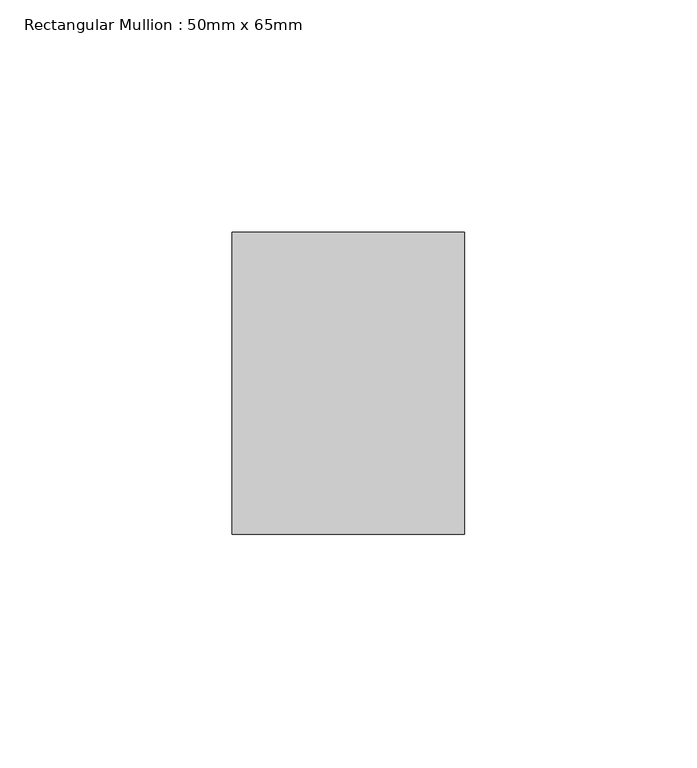
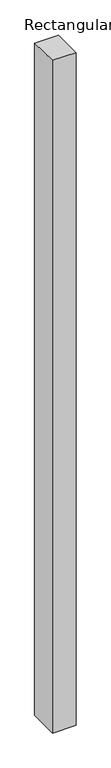
"""IFC4 building model written with IfcOpenShell, lengths in millimetres: member geometry, Rectangular Mullion : 50mm x 65mm."""

import ifcopenshell
import ifcopenshell.guid

model = None  # the IFC model being written
_history = None  # IfcOwnerHistory: only IFC2X3 demands one
_inside = {}  # id of a spatial element -> (the spatial element, [elements in it])
_under = {}  # id of a project, library or spatial element -> (it, [spatial elements below it])
_declared = {}  # id of a project -> (the project, [libraries it declares])
_typed = {}  # id of a type object -> (the type object, [elements of that type])
_made_of = {}  # id of a material, layer set ... -> (it, [elements and type objects made of it])


def new_model(schema):
    """Start an empty IFC model of exactly this schema.

    Asked for "IFC4X3", IfcOpenShell would pick the latest addendum, in which some entities
    have other attributes; the version numbers below select the first issue.
    IFC2X3 requires an IfcOwnerHistory on every rooted entity: one is made here for all.
    """
    global model, _history
    if schema == "IFC4X3":
        model = ifcopenshell.file(schema_version=(4, 3, 0, 0))
    else:
        model = ifcopenshell.file(schema=schema)
    _inside.clear()
    _under.clear()
    _declared.clear()
    _typed.clear()
    _made_of.clear()
    _history = None
    if model.schema == "IFC2X3":
        org = make("IfcOrganization", Name="unknown")
        user = make(
            "IfcPersonAndOrganization",
            ThePerson=make("IfcPerson", FamilyName="unknown"),
            TheOrganization=org,
        )
        app = make(
            "IfcApplication",
            ApplicationDeveloper=org,
            Version="unknown",
            ApplicationFullName="unknown",
            ApplicationIdentifier="unknown",
        )
        _history = make(
            "IfcOwnerHistory",
            OwningUser=user,
            OwningApplication=app,
            ChangeAction="ADDED",
            CreationDate=0,
        )
    return model


def make(cls, **values):
    """One entity of the class cls with the attributes given. An attribute that is None is left unset."""
    return model.create_entity(
        cls, **{name: value for name, value in values.items() if value is not None}
    )


def rooted(cls, **values):
    """An entity with a GlobalId (a new one), such as an element, a storey or a relation."""
    return make(cls, GlobalId=ifcopenshell.guid.new(), OwnerHistory=_history, **values)


def si_unit(unit_type, name, prefix=None):
    """IfcSIUnit, for example si_unit("LENGTHUNIT", "METRE", prefix="MILLI")."""
    return make("IfcSIUnit", UnitType=unit_type, Prefix=prefix, Name=name)


def assignment(units):
    """IfcUnitAssignment: the units of a project."""
    return None if units is None else make("IfcUnitAssignment", Units=units)


def point(xyz):
    """IfcCartesianPoint."""
    return None if xyz is None else make("IfcCartesianPoint", Coordinates=xyz)


def direction(xyz):
    """IfcDirection."""
    return None if xyz is None else make("IfcDirection", DirectionRatios=xyz)


def frame(location, z_axis=None, x_axis=None):
    """IfcAxis2Placement3D, a coordinate frame: its origin and axes. An axis left out is left unset."""
    return make(
        "IfcAxis2Placement3D",
        Location=point(location),
        Axis=direction(z_axis),
        RefDirection=direction(x_axis),
    )


def origin():
    """The frame at (0, 0, 0) with its axes left unset."""
    return frame((0.0, 0.0, 0.0))


def place(relative_to, where):
    """IfcLocalPlacement: puts the frame where relative to a parent placement (None: the world)."""
    return make(
        "IfcLocalPlacement", PlacementRelTo=relative_to, RelativePlacement=where
    )


def context(
    kind, dimensions, precision=None, world=None, true_north=None, identifier=None
):
    """IfcGeometricRepresentationContext, for example the 3D "Model" context."""
    return make(
        "IfcGeometricRepresentationContext",
        ContextIdentifier=identifier,
        ContextType=kind,
        CoordinateSpaceDimension=dimensions,
        Precision=precision,
        WorldCoordinateSystem=world,
        TrueNorth=true_north,
    )


def project(units=None, contexts=None):
    """IfcProject with its units and contexts."""
    return rooted(
        "IfcProject",
        Name="project",
        RepresentationContexts=contexts,
        UnitsInContext=assignment(units),
    )


def spatial(cls, under=None, at=None, **own):
    """A site, building, storey or space (cls), placed at a placement, below another one or the project."""
    s = rooted(cls, ObjectPlacement=at, **own)
    if under is not None:
        _under.setdefault(under.id(), (under, []))[1].append(s)
    return s


def faces_of(points, faces, orient=None, outer=None):
    """IfcFace entities. A face is a list of loops; a loop is a list of indices into points, from 0.

    orient and outer hold one flag for each loop. By default every Orientation is true, the
    first loop of a face is its IfcFaceOuterBound and the others are IfcFaceBound.
    """
    made = []
    for i, loops in enumerate(faces):
        bounds = []
        for j, loop in enumerate(loops):
            is_outer = j == 0 if outer is None else outer[i][j]
            bounds.append(
                make(
                    "IfcFaceOuterBound" if is_outer else "IfcFaceBound",
                    Bound=make("IfcPolyLoop", Polygon=[points[k] for k in loop]),
                    Orientation=True if orient is None else orient[i][j],
                )
            )
        made.append(make("IfcFace", Bounds=bounds))
    return made


def faceted_brep(points, faces, orient=None, outer=None, voids=None):
    """IfcFacetedBrep: a solid bounded by flat faces; with voids (closed shells), ...WithVoids."""
    shared = [point(p) for p in points]
    hull = make("IfcClosedShell", CfsFaces=faces_of(shared, faces, orient, outer))
    if voids is None:
        return make("IfcFacetedBrep", Outer=hull)
    return make(
        "IfcFacetedBrepWithVoids",
        Outer=hull,
        Voids=[
            make(cls, CfsFaces=faces_of(shared, fs, o, b)) for cls, fs, o, b in voids
        ],
    )


def shape(context_of_items, identifier, shape_type, items):
    """IfcShapeRepresentation: the items that make up one representation, for example the "Body"."""
    return make(
        "IfcShapeRepresentation",
        ContextOfItems=context_of_items,
        RepresentationIdentifier=identifier,
        RepresentationType=shape_type,
        Items=items,
    )


def source(mapping_origin, context_of_items, identifier, shape_type, items):
    """IfcRepresentationMap: a shape defined once, which mapped items show again and again."""
    return make(
        "IfcRepresentationMap",
        MappingOrigin=mapping_origin,
        MappedRepresentation=shape(context_of_items, identifier, shape_type, items),
    )


def transform(
    local_origin,
    x_axis=None,
    y_axis=None,
    z_axis=None,
    scale=None,
    scale2=None,
    scale3=None,
    uniform=True,
):
    """IfcCartesianTransformationOperator3D, or its non-uniform kind. x_axis, y_axis, z_axis: its Axis1, 2, 3."""
    if uniform:
        return make(
            "IfcCartesianTransformationOperator3D",
            Axis1=direction(x_axis),
            Axis2=direction(y_axis),
            LocalOrigin=point(local_origin),
            Scale=scale,
            Axis3=direction(z_axis),
        )
    return make(
        "IfcCartesianTransformationOperator3DnonUniform",
        Axis1=direction(x_axis),
        Axis2=direction(y_axis),
        LocalOrigin=point(local_origin),
        Scale=scale,
        Axis3=direction(z_axis),
        Scale2=scale2,
        Scale3=scale3,
    )


def mapped(mapping_source, mapping_target):
    """IfcMappedItem: shows the shape of a source again, moved by a transform."""
    return make(
        "IfcMappedItem", MappingSource=mapping_source, MappingTarget=mapping_target
    )


def made_of(thing, what):
    """Note that an element or type object is made of a material, layer set ...; save() writes the relation."""
    if what is not None:
        _made_of.setdefault(what.id(), (what, []))[1].append(thing)
    return thing


def element(
    cls,
    number,
    at=None,
    inside=None,
    cuts=None,
    type_object=None,
    material=None,
    context=None,
    identifier="Body",
    shape_type=None,
    held_by="IfcProductDefinitionShape",
    body=None,
    shapes=None,
    **own,
):
    """One element of the class cls, such as IfcWall. Its Tag is "e" and its number.

    at: its placement. inside: the storey or other place that contains it. cuts: it is an
    opening in that element (IfcRelVoidsElement). A single representation is given by context,
    identifier, shape_type and body (its items); several are given by shapes. held_by: the class
    of the entity that holds the representations. save() writes the other relations.
    """
    e = rooted(cls, Tag="e%d" % number, ObjectPlacement=at, **own)
    if body is not None:
        shapes = [shape(context, identifier, shape_type, body)]
    if shapes is not None:
        e.Representation = make(held_by, Representations=shapes)
    if inside is not None:
        _inside.setdefault(inside.id(), (inside, []))[1].append(e)
    if cuts is not None:
        rooted(
            "IfcRelVoidsElement", RelatingBuildingElement=cuts, RelatedOpeningElement=e
        )
    if type_object is not None:
        _typed.setdefault(type_object.id(), (type_object, []))[1].append(e)
    return made_of(e, material)


def aggregate(whole, parts):
    """IfcRelAggregates: a whole, such as a stair, and the parts it consists of."""
    return rooted("IfcRelAggregates", RelatingObject=whole, RelatedObjects=parts)


def save(model, path):
    """Write the relations noted so far, then the file.

    IfcRelAggregates (storeys below a building ...), IfcRelContainedInSpatialStructure (elements
    in a storey), IfcRelDefinesByType, IfcRelAssociatesMaterial and IfcRelDeclares: one each for
    every whole, place, type object, material and project.
    """
    for whole, parts in _under.values():
        aggregate(whole, parts)
    for where, things in _inside.values():
        rooted(
            "IfcRelContainedInSpatialStructure",
            RelatedElements=things,
            RelatingStructure=where,
        )
    for kind, things in _typed.values():
        rooted("IfcRelDefinesByType", RelatedObjects=things, RelatingType=kind)
    for what, things in _made_of.values():
        rooted("IfcRelAssociatesMaterial", RelatedObjects=things, RelatingMaterial=what)
    for by, libraries in _declared.values():
        rooted("IfcRelDeclares", RelatingContext=by, RelatedDefinitions=libraries)
    model.write(path)


def rectangular_mullion_50mm_x_65mm_e4713b42(model_context):
    return source(origin(), model_context, "Body", "Brep", [
        faceted_brep([(-25.0, 32.5, -0.3536687), (25.0, 32.5, -0.3536722), (25.0, 32.5, -1499.5480734), (-25.0, 32.5, -1499.5480779), (-25.0, -32.5, 0.3536722), (-25.0, -32.5, -1500.4517076), (25.0, -32.5, 0.3536687), (25.0, -32.5, -1500.4517031)], [[[0, 1, 2, 3]], [[4, 0, 3, 5]], [[6, 4, 5, 7]], [[1, 6, 7, 2]], [[1, 0, 4, 6]], [[2, 7, 5, 3]]]),
    ])


if __name__ == "__main__":
    model = new_model("IFC4")
    model_context = context("Model", 3, world=origin())
    ifc_project = project(units=[si_unit("LENGTHUNIT", "METRE", prefix="MILLI")], contexts=[model_context])
    site = spatial("IfcSite", under=ifc_project)
    building = spatial("IfcBuilding", under=site)
    placement = place(None, origin())
    rectangular_mullion_50mm_x_65mm_shape = rectangular_mullion_50mm_x_65mm_e4713b42(model_context)
    element("IfcMember", 1, ObjectType="Rectangular Mullion : 50mm x 65mm", at=placement, inside=building, context=model_context, shape_type="MappedRepresentation", body=[
        mapped(rectangular_mullion_50mm_x_65mm_shape, transform((0.0, 0.0, 0.0), x_axis=(1.0, 0.0, 0.0), y_axis=(0.0, 1.0, 0.0), z_axis=(0.0, 0.0, 1.0))),
    ])
    save(model, "model.ifc")
